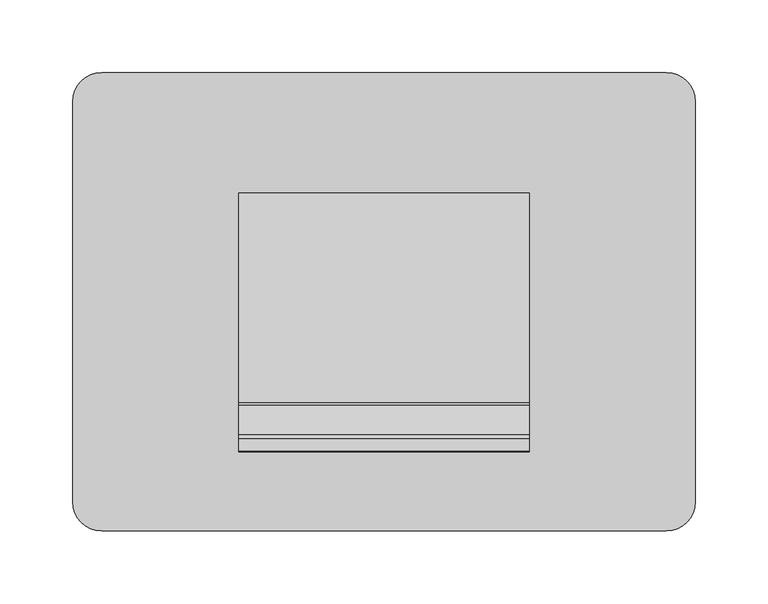
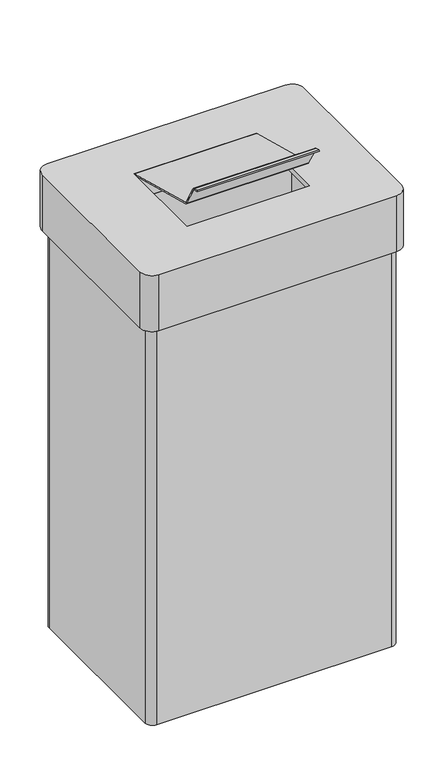
"""IFC4 building model written with IfcOpenShell, lengths in millimetres: furniture geometry."""

from ifc_helpers import new_model, si_unit, point, frame, frame_2d, origin, place, context, project, spatial, polyline, circle_curve, trimmed, segment, composite_curve, outline, extrude, source, transform, mapped, element, save
from ifc_brep_helpers import plane_surface, cylinder_surface, advanced_brep


def furniture_f91547bf(model_context):
    return source(origin(), model_context, "Body", "SolidModel", [
        advanced_brep(
        [(192.5, 148.0, 689.0), (-192.5, 148.0, 689.0), (-204.5, 136.0, 689.0), (-204.5, -136.0, 689.0), (-192.5, -148.0, 689.0), (192.5, -148.0, 689.0), (204.5, -136.0, 689.0), (204.5, 136.0, 689.0), (194.5, 138.0, 689.0), (194.5, -138.0, 689.0), (-194.5, -138.0, 689.0), (-194.5, 138.0, 689.0), (192.5, 148.0, 0.0), (204.5, 136.0, 0.0), (204.5, -136.0, 0.0), (192.5, -148.0, 0.0), (-192.5, -148.0, 0.0), (-204.5, -136.0, 0.0), (-204.5, 136.0, 0.0), (-192.5, 148.0, 0.0), (194.5, 138.0, 8.0), (194.5, -138.0, 8.0), (-194.5, -138.0, 8.0), (-194.5, 138.0, 8.0)],
        [
            (0, 1),
            (1, 2, circle_curve(frame((-192.5, 136.0, 689.0), z_axis=(0.0, 0.0, 1.0), x_axis=(1.0, 0.0, 0.0)), 12.0)),
            (2, 3),
            (3, 4, circle_curve(frame((-192.5, -136.0, 689.0), z_axis=(0.0, 0.0, 1.0), x_axis=(1.0, 0.0, 0.0)), 12.0)),
            (4, 5),
            (5, 6, circle_curve(frame((192.5, -136.0, 689.0), z_axis=(0.0, 0.0, 1.0), x_axis=(1.0, 0.0, 0.0)), 12.0)),
            (6, 7),
            (7, 0, circle_curve(frame((192.5, 136.0, 689.0), z_axis=(0.0, 0.0, 1.0), x_axis=(1.0, 0.0, 0.0)), 12.0)),
            (8, 9),
            (9, 10),
            (10, 11),
            (11, 8),
            (12, 13, circle_curve(frame((192.5, 136.0, 0.0), z_axis=(0.0, 0.0, -1.0), x_axis=(1.0, 0.0, 0.0)), 12.0)),
            (13, 14),
            (14, 15, circle_curve(frame((192.5, -136.0, 0.0), z_axis=(0.0, 0.0, -1.0), x_axis=(1.0, 0.0, 0.0)), 12.0)),
            (15, 16),
            (16, 17, circle_curve(frame((-192.5, -136.0, 0.0), z_axis=(0.0, 0.0, -1.0), x_axis=(1.0, 0.0, 0.0)), 12.0)),
            (17, 18),
            (18, 19, circle_curve(frame((-192.5, 136.0, 0.0), z_axis=(0.0, 0.0, -1.0), x_axis=(1.0, 0.0, 0.0)), 12.0)),
            (19, 12),
            (8, 20),
            (20, 21),
            (21, 9),
            (21, 22),
            (22, 10),
            (22, 23),
            (23, 11),
            (23, 20),
            (0, 12),
            (19, 1),
            (18, 2),
            (17, 3),
            (16, 4),
            (15, 5),
            (14, 6),
            (13, 7),
        ],
        [
            plane_surface(frame((194.5, 138.0, 689.0), z_axis=(0.0, 0.0, 1.0), x_axis=(0.0, -1.0, 0.0))),
            plane_surface(frame((194.5, 138.0, 0.0), z_axis=(0.0, 0.0, -1.0), x_axis=(0.0, 1.0, 0.0))),
            plane_surface(frame((194.5, 138.0, 689.0), z_axis=(-1.0, 0.0, 0.0), x_axis=(0.0, 0.0, -1.0))),
            plane_surface(frame((194.5, -138.0, 689.0), z_axis=(0.0, 1.0, 0.0), x_axis=(0.0, 0.0, -1.0))),
            plane_surface(frame((-194.5, -138.0, 689.0), z_axis=(1.0, 0.0, 0.0), x_axis=(0.0, 0.0, -1.0))),
            plane_surface(frame((-194.5, 138.0, 689.0), z_axis=(0.0, -1.0, 0.0), x_axis=(0.0, 0.0, -1.0))),
            plane_surface(frame((192.5, 148.0, 689.0), z_axis=(0.0, 1.0, 0.0), x_axis=(0.0, 0.0, -1.0))),
            cylinder_surface(frame((-192.5, 136.0, 0.0), z_axis=(0.0, 0.0, 1.0), x_axis=(1.0, 0.0, 0.0)), 12.0),
            plane_surface(frame((-204.5, 136.0, 689.0), z_axis=(-1.0, 0.0, 0.0), x_axis=(0.0, 0.0, -1.0))),
            cylinder_surface(frame((-192.5, -136.0, 0.0), z_axis=(0.0, 0.0, 1.0), x_axis=(1.0, 0.0, 0.0)), 12.0),
            plane_surface(frame((-192.5, -148.0, 689.0), z_axis=(0.0, -1.0, 0.0), x_axis=(0.0, 0.0, -1.0))),
            cylinder_surface(frame((192.5, -136.0, 0.0), z_axis=(0.0, 0.0, 1.0), x_axis=(1.0, 0.0, 0.0)), 12.0),
            plane_surface(frame((204.5, -136.0, 689.0), z_axis=(1.0, 0.0, 0.0), x_axis=(0.0, 0.0, -1.0))),
            cylinder_surface(frame((192.5, 136.0, 0.0), z_axis=(0.0, 0.0, 1.0), x_axis=(1.0, 0.0, 0.0)), 12.0),
            plane_surface(frame((-194.5, 138.0, 8.0), z_axis=(0.0, 0.0, 1.0), x_axis=(-1.0, 0.0, 0.0))),
        ],
        [
            (0, [[1, 2, 3, 4, 5, 6, 7, 8], [9, 10, 11, 12]]),
            (1, [[13, 14, 15, 16, 17, 18, 19, 20]]),
            (2, [[-9, 21, 22, 23]]),
            (3, [[-10, -23, 24, 25]]),
            (4, [[-11, -25, 26, 27]]),
            (5, [[-12, -27, 28, -21]]),
            (6, [[-1, 29, -20, 30]]),
            (7, [[-2, -30, -19, 31]]),
            (8, [[-3, -31, -18, 32]]),
            (9, [[-4, -32, -17, 33]]),
            (10, [[-5, -33, -16, 34]]),
            (11, [[-6, -34, -15, 35]]),
            (12, [[-7, -35, -14, 36]]),
            (13, [[-8, -36, -13, -29]]),
            (14, [[-22, -28, -26, -24]]),
        ],
    ),
        advanced_brep(
        [(194.5, 158.0, 786.0), (-194.5, 158.0, 786.0), (-214.5, 138.0, 786.0), (-214.5, -138.0, 786.0), (-194.5, -158.0, 786.0), (194.5, -158.0, 786.0), (214.5, -138.0, 786.0), (214.5, 138.0, 786.0), (100.0, 75.0, 786.0), (100.0, -75.0, 786.0), (-100.0, -75.0, 786.0), (-100.0, 75.0, 786.0), (194.5, 138.0, 778.0), (194.5, -138.0, 778.0), (-194.5, -138.0, 778.0), (-194.5, 138.0, 778.0), (100.0, 75.0, 778.0), (-100.0, 75.0, 778.0), (-100.0, -75.0, 778.0), (100.0, -75.0, 778.0), (194.5, 158.0, 689.0), (214.5, 138.0, 689.0), (214.5, -138.0, 689.0), (194.5, -158.0, 689.0), (-194.5, -158.0, 689.0), (-214.5, -138.0, 689.0), (-214.5, 138.0, 689.0), (-194.5, 158.0, 689.0), (194.5, 138.0, 689.0), (-194.5, 138.0, 689.0), (-194.5, -138.0, 689.0), (194.5, -138.0, 689.0)],
        [
            (0, 1),
            (1, 2, circle_curve(frame((-194.5, 138.0, 786.0), z_axis=(0.0, 0.0, 1.0), x_axis=(1.0, 0.0, 0.0)), 20.0)),
            (2, 3),
            (3, 4, circle_curve(frame((-194.5, -138.0, 786.0), z_axis=(0.0, 0.0, 1.0), x_axis=(1.0, 0.0, 0.0)), 20.0)),
            (4, 5),
            (5, 6, circle_curve(frame((194.5, -138.0, 786.0), z_axis=(0.0, 0.0, 1.0), x_axis=(1.0, 0.0, 0.0)), 20.0)),
            (6, 7),
            (7, 0, circle_curve(frame((194.5, 138.0, 786.0), z_axis=(0.0, 0.0, 1.0), x_axis=(1.0, 0.0, 0.0)), 20.0)),
            (8, 9),
            (9, 10),
            (10, 11),
            (11, 8),
            (12, 13),
            (13, 14),
            (14, 15),
            (15, 12),
            (16, 17),
            (17, 18),
            (18, 19),
            (19, 16),
            (20, 21, circle_curve(frame((194.5, 138.0, 689.0), z_axis=(0.0, 0.0, -1.0), x_axis=(1.0, 0.0, 0.0)), 20.0)),
            (21, 22),
            (22, 23, circle_curve(frame((194.5, -138.0, 689.0), z_axis=(0.0, 0.0, -1.0), x_axis=(1.0, 0.0, 0.0)), 20.0)),
            (23, 24),
            (24, 25, circle_curve(frame((-194.5, -138.0, 689.0), z_axis=(0.0, 0.0, -1.0), x_axis=(1.0, 0.0, 0.0)), 20.0)),
            (25, 26),
            (26, 27, circle_curve(frame((-194.5, 138.0, 689.0), z_axis=(0.0, 0.0, -1.0), x_axis=(1.0, 0.0, 0.0)), 20.0)),
            (27, 20),
            (28, 29),
            (29, 30),
            (30, 31),
            (31, 28),
            (0, 20),
            (27, 1),
            (26, 2),
            (25, 3),
            (24, 4),
            (23, 5),
            (22, 6),
            (21, 7),
            (31, 13),
            (12, 28),
            (30, 14),
            (29, 15),
            (8, 16),
            (19, 9),
            (18, 10),
            (17, 11),
        ],
        [
            plane_surface(frame((-194.5, 138.0, 786.0), z_axis=(0.0, 0.0, 1.0), x_axis=(-1.0, 0.0, 0.0))),
            plane_surface(frame((-194.5, 138.0, 778.0), z_axis=(0.0, 0.0, -1.0), x_axis=(1.0, 0.0, 0.0))),
            plane_surface(frame((-194.5, 158.0, 689.0), z_axis=(0.0, 0.0, -1.0), x_axis=(1.0, 0.0, 0.0))),
            plane_surface(frame((194.5, 158.0, 786.0), z_axis=(0.0, 1.0, 0.0), x_axis=(0.0, 0.0, -1.0))),
            cylinder_surface(frame((-194.5, 138.0, 689.0), z_axis=(0.0, 0.0, 1.0), x_axis=(1.0, 0.0, 0.0)), 20.0),
            plane_surface(frame((-214.5, 138.0, 786.0), z_axis=(-1.0, 0.0, 0.0), x_axis=(0.0, 0.0, -1.0))),
            cylinder_surface(frame((-194.5, -138.0, 689.0), z_axis=(0.0, 0.0, 1.0), x_axis=(1.0, 0.0, 0.0)), 20.0),
            plane_surface(frame((-194.5, -158.0, 786.0), z_axis=(0.0, -1.0, 0.0), x_axis=(0.0, 0.0, -1.0))),
            cylinder_surface(frame((194.5, -138.0, 689.0), z_axis=(0.0, 0.0, 1.0), x_axis=(1.0, 0.0, 0.0)), 20.0),
            plane_surface(frame((214.5, -138.0, 786.0), z_axis=(1.0, 0.0, 0.0), x_axis=(0.0, 0.0, -1.0))),
            cylinder_surface(frame((194.5, 138.0, 689.0), z_axis=(0.0, 0.0, 1.0), x_axis=(1.0, 0.0, 0.0)), 20.0),
            plane_surface(frame((194.5, 138.0, 786.0), z_axis=(-1.0, 0.0, 0.0), x_axis=(0.0, 0.0, -1.0))),
            plane_surface(frame((194.5, -138.0, 786.0), z_axis=(0.0, 1.0, 0.0), x_axis=(0.0, 0.0, -1.0))),
            plane_surface(frame((-194.5, -138.0, 786.0), z_axis=(1.0, 0.0, 0.0), x_axis=(0.0, 0.0, -1.0))),
            plane_surface(frame((-194.5, 138.0, 786.0), z_axis=(0.0, -1.0, 0.0), x_axis=(0.0, 0.0, -1.0))),
            plane_surface(frame((100.0, 75.0, 786.0), z_axis=(-1.0, 0.0, 0.0), x_axis=(0.0, 0.0, -1.0))),
            plane_surface(frame((100.0, -75.0, 786.0), z_axis=(0.0, 1.0, 0.0), x_axis=(0.0, 0.0, -1.0))),
            plane_surface(frame((-100.0, -75.0, 786.0), z_axis=(1.0, 0.0, 0.0), x_axis=(0.0, 0.0, -1.0))),
            plane_surface(frame((-100.0, 75.0, 786.0), z_axis=(0.0, -1.0, 0.0), x_axis=(0.0, 0.0, -1.0))),
        ],
        [
            (0, [[1, 2, 3, 4, 5, 6, 7, 8], [9, 10, 11, 12]]),
            (1, [[13, 14, 15, 16], [17, 18, 19, 20]]),
            (2, [[21, 22, 23, 24, 25, 26, 27, 28], [29, 30, 31, 32]]),
            (3, [[-1, 33, -28, 34]]),
            (4, [[-2, -34, -27, 35]]),
            (5, [[-3, -35, -26, 36]]),
            (6, [[-4, -36, -25, 37]]),
            (7, [[-5, -37, -24, 38]]),
            (8, [[-6, -38, -23, 39]]),
            (9, [[-7, -39, -22, 40]]),
            (10, [[-8, -40, -21, -33]]),
            (11, [[-32, 41, -13, 42]]),
            (12, [[-31, 43, -14, -41]]),
            (13, [[-30, 44, -15, -43]]),
            (14, [[-29, -42, -16, -44]]),
            (15, [[-9, 45, -20, 46]]),
            (16, [[-10, -46, -19, 47]]),
            (17, [[-11, -47, -18, 48]]),
            (18, [[-12, -48, -17, -45]]),
        ],
    ),
        extrude(outline(composite_curve([segment(polyline([(-69.8932292, 824.8240238), (75.0, 786.0), (74.4410999, 783.9141564), (-70.447774, 822.7370132)]), True, "CONTINUOUS"), segment(trimmed(circle_curve(frame_2d((-69.3271571, 826.9192126)), 4.3297315), [point((-70.447774, 822.7370132))], [point((-73.0745578, 824.7504429))], False, "CARTESIAN"), True, "CONTINUOUS"), segment(polyline([(-73.0745578, 824.7504429), (-93.3981137, 859.9518742)]), True, "CONTINUOUS"), segment(trimmed(circle_curve(frame_2d((-95.2682278, 858.8721633)), 2.1594218), [point((-93.3981137, 859.9518742))], [point((-94.5473475, 860.907706))], True, "CARTESIAN"), True, "CONTINUOUS"), segment(polyline([(-94.5473475, 860.907706), (-103.3712563, 863.2758396), (-102.8115764, 865.3645934), (-94.1504288, 863.0438459)]), True, "CONTINUOUS"), segment(trimmed(circle_curve(frame_2d((-95.2682278, 858.8721633)), 4.3188436), [point((-94.1504288, 863.0438459))], [point((-91.5279995, 861.0315851))], False, "CARTESIAN"), True, "CONTINUOUS"), segment(polyline([(-91.5279995, 861.0315851), (-71.2044439, 825.8301541)]), True, "CONTINUOUS"), segment(trimmed(circle_curve(frame_2d((-69.3343297, 826.909865)), 2.1594218), [point((-71.2044439, 825.8301541))], [point((-69.8932292, 824.8240238))], True, "CARTESIAN"), True, "CONTINUOUS")], self_intersect=False)), frame((-100.0, 0.0, 0.0), z_axis=(1.0, 0.0, 0.0), x_axis=(0.0, 1.0, 0.0)), (0.0, 0.0, 1.0), 200.0),
    ])


if __name__ == "__main__":
    model = new_model("IFC4")
    model_context = context("Model", 3, world=origin())
    ifc_project = project(units=[si_unit("LENGTHUNIT", "METRE", prefix="MILLI")], contexts=[model_context])
    site = spatial("IfcSite", under=ifc_project)
    building = spatial("IfcBuilding", under=site)
    placement = place(None, origin())
    furniture_shape = furniture_f91547bf(model_context)
    element("IfcFurniture", 1, at=placement, inside=building, context=model_context, shape_type="MappedRepresentation", body=[
        mapped(furniture_shape, transform((0.0, 0.0, 0.0), x_axis=(1.0, 0.0, 0.0), y_axis=(0.0, 1.0, 0.0), z_axis=(0.0, 0.0, 1.0))),
    ])
    save(model, "model.ifc")
